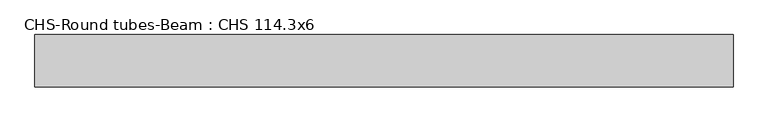
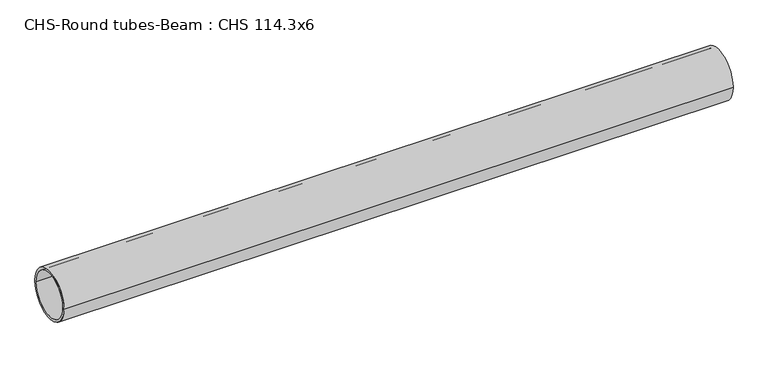
"""IFC4 building model written with IfcOpenShell, lengths in millimetres: beam geometry, CHS-Round tubes-Beam : CHS 114.3x6."""

from ifc_helpers import new_model, si_unit, point, frame, origin, origin_2d, place, context, project, spatial, circle_curve, trimmed, segment, composite_curve, outline, extrude, source, transform, mapped, element, save


def chs_round_tubes_beam_chs_114_3x6_0bfd8239(model_context):
    return source(origin(), model_context, "Body", "SweptSolid", [
        extrude(outline(composite_curve([segment(trimmed(circle_curve(origin_2d(), 57.15), [point((57.15, 0.0))], [point((-57.15, 0.0))], False, "CARTESIAN"), True, "CONTINUOUS"), segment(trimmed(circle_curve(origin_2d(), 57.15), [point((-57.15, 0.0))], [point((57.15, 0.0))], False, "CARTESIAN"), True, "CONTINUOUS")], self_intersect=False), holes=[composite_curve([segment(trimmed(circle_curve(origin_2d(), 51.15), [point((51.15, 0.0))], [point((-51.15, 0.0))], True, "CARTESIAN"), True, "CONTINUOUS"), segment(trimmed(circle_curve(origin_2d(), 51.15), [point((-51.15, 0.0))], [point((51.15, 0.0))], True, "CARTESIAN"), True, "CONTINUOUS")], self_intersect=False)]), frame((-810.2004429, 0.0, 0.0), z_axis=(1.0, 0.0, 0.0), x_axis=(0.0, 1.0, 0.0)), (0.0, 0.0, 1.0), 1522.2153152),
    ])


if __name__ == "__main__":
    model = new_model("IFC4")
    model_context = context("Model", 3, world=origin())
    ifc_project = project(units=[si_unit("LENGTHUNIT", "METRE", prefix="MILLI")], contexts=[model_context])
    site = spatial("IfcSite", under=ifc_project)
    building = spatial("IfcBuilding", under=site)
    placement = place(None, origin())
    chs_round_tubes_beam_chs_114_3x6_shape = chs_round_tubes_beam_chs_114_3x6_0bfd8239(model_context)
    element("IfcBeam", 1, ObjectType="CHS-Round tubes-Beam : CHS 114.3x6", at=placement, inside=building, context=model_context, shape_type="MappedRepresentation", body=[
        mapped(chs_round_tubes_beam_chs_114_3x6_shape, transform((0.0, 0.0, 0.0), x_axis=(1.0, 0.0, 0.0), y_axis=(0.0, 1.0, 0.0), z_axis=(0.0, 0.0, 1.0))),
    ])
    save(model, "model.ifc")
